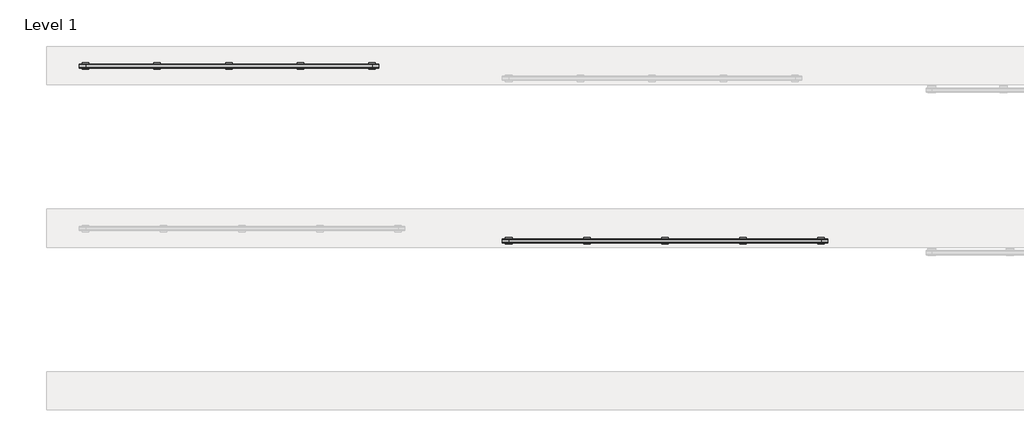
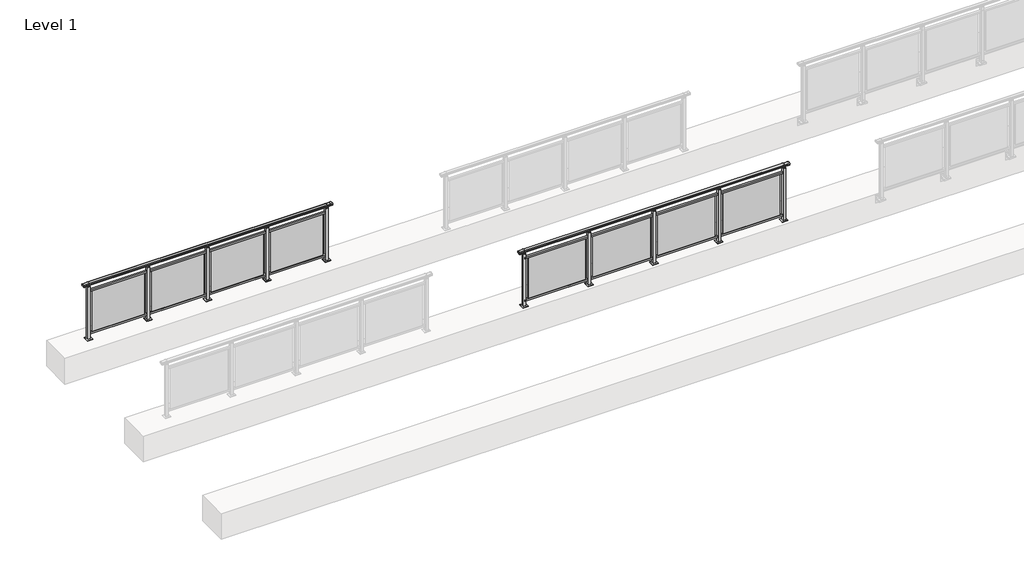
# One storey, part 38 of 64: 2 railings.
"""IFC4 building model written with IfcOpenShell, lengths in millimetres."""

from ifc_helpers import new_model, si_unit, frame, origin, origin_with_axes, place, context, project, spatial, polyline, circle_curve, outline, extrude, element, save
from ifc_brep_helpers import plane_surface, cylinder_surface, revolved_surface, advanced_brep

model = new_model("IFC4")

# Units and contexts
model_context = context("Model", 3, world=origin())
ifc_project = project(units=[si_unit("LENGTHUNIT", "METRE", prefix="MILLI")], contexts=[model_context])

# Site, building, storey
site = spatial("IfcSite", under=ifc_project)
building = spatial("IfcBuilding", under=site)
storey = spatial("IfcBuildingStorey", under=building, Name="Level 1", Elevation=0.0)

# Railings
placement = place(None, origin())
element("IfcRailing", 1, at=placement, inside=storey, context=model_context, shape_type="SolidModel", body=[
    advanced_brep(
    [(36400.0, 2525.3633756, 1095.6691182), (36400.0, 2530.1846828, 1081.1334092), (36400.0, 2529.2413744, 1069.2539035), (36400.0, 2531.1364177, 1061.4863007), (36400.0, 2529.4894799, 1060.384124), (36400.0, 2529.4894799, 1062.0), (36400.0, 2470.8798858, 1062.0), (36400.0, 2470.8798858, 1060.384124), (36400.0, 2469.232948, 1061.4863007), (36400.0, 2471.1279912, 1069.2539035), (36400.0, 2470.1846828, 1081.1334092), (36400.0, 2475.00599, 1095.6691182), (41400.0, 2525.3633756, 1095.6691182), (41400.0, 2475.00599, 1095.6691182), (41400.0, 2470.1846828, 1081.1334092), (41400.0, 2471.1279912, 1069.2539035), (41400.0, 2469.232948, 1061.4863007), (41400.0, 2470.8798858, 1060.384124), (41400.0, 2470.8798858, 1062.0), (41400.0, 2529.4894799, 1062.0), (41400.0, 2529.4894799, 1060.384124), (41400.0, 2531.1364177, 1061.4863007), (41400.0, 2529.2413744, 1069.2539035), (41400.0, 2530.1846828, 1081.1334092), (36500.0, 2525.3633756, 1095.6691182), (36500.0, 2530.1846828, 1081.1334092), (36500.0, 2529.2413744, 1069.2539035), (36500.0, 2531.1364177, 1061.4863007), (36500.0, 2529.4894799, 1060.384124), (36500.0, 2529.4894799, 1062.0), (36500.0, 2470.8798858, 1062.0), (36500.0, 2470.8798858, 1060.384124), (36500.0, 2469.232948, 1061.4863007), (36500.0, 2471.1279912, 1069.2539035), (36500.0, 2470.1846828, 1081.1334092), (36500.0, 2475.00599, 1095.6691182), (41300.0, 2525.3633756, 1095.6691182), (41300.0, 2530.1846828, 1081.1334092), (41300.0, 2529.2413744, 1069.2539035), (41300.0, 2531.1364177, 1061.4863007), (41300.0, 2529.4894799, 1060.384124), (41300.0, 2529.4894799, 1062.0), (41300.0, 2470.8798858, 1062.0), (41300.0, 2470.8798858, 1060.384124), (41300.0, 2469.232948, 1061.4863007), (41300.0, 2471.1279912, 1069.2539035), (41300.0, 2470.1846828, 1081.1334092), (41300.0, 2475.00599, 1095.6691182)],
    [
        (0, 1, circle_curve(frame((36400.0, 2522.1223845, 1086.526686), z_axis=(-1.0, 0.0, 0.0), x_axis=(0.0, -1.0, 0.0)), 9.6999015)),
        (1, 2, circle_curve(frame((36400.0, 2547.7252545, 1073.7633709), z_axis=(1.0, 0.0, 0.0), x_axis=(0.0, -1.0, 0.0)), 19.0260117)),
        (2, 3),
        (3, 4, circle_curve(frame((36400.0, 2530.2772073, 1060.9886194), z_axis=(-1.0, 0.0, 0.0), x_axis=(0.0, -1.0, 0.0)), 0.9929396)),
        (4, 5),
        (5, 6),
        (6, 7),
        (7, 8, circle_curve(frame((36400.0, 2470.0921584, 1060.9886194), z_axis=(-1.0, 0.0, 0.0), x_axis=(0.0, 1.0, 0.0)), 0.9929396)),
        (8, 9),
        (9, 10, circle_curve(frame((36400.0, 2452.6441111, 1073.7633709), z_axis=(1.0, 0.0, 0.0), x_axis=(0.0, 1.0, 0.0)), 19.0260117)),
        (10, 11, circle_curve(frame((36400.0, 2478.2469812, 1086.526686), z_axis=(-1.0, 0.0, 0.0), x_axis=(0.0, 1.0, 0.0)), 9.6999015)),
        (11, 0, circle_curve(frame((36400.0, 2500.1846828, 1024.6431628), z_axis=(-1.0, 0.0, 0.0), x_axis=(0.0, 1.0, 0.0)), 75.3568372)),
        (12, 13, circle_curve(frame((41400.0, 2500.1846828, 1024.6431628), z_axis=(1.0, 0.0, 0.0), x_axis=(0.0, 1.0, 0.0)), 75.3568372)),
        (13, 14, circle_curve(frame((41400.0, 2478.2469812, 1086.526686), z_axis=(1.0, 0.0, 0.0), x_axis=(0.0, 1.0, 0.0)), 9.6999015)),
        (14, 15, circle_curve(frame((41400.0, 2452.6441111, 1073.7633709), z_axis=(-1.0, 0.0, 0.0), x_axis=(0.0, 1.0, 0.0)), 19.0260117)),
        (15, 16),
        (16, 17, circle_curve(frame((41400.0, 2470.0921584, 1060.9886194), z_axis=(1.0, 0.0, 0.0), x_axis=(0.0, 1.0, 0.0)), 0.9929396)),
        (17, 18),
        (18, 19),
        (19, 20),
        (20, 21, circle_curve(frame((41400.0, 2530.2772073, 1060.9886194), z_axis=(1.0, 0.0, 0.0), x_axis=(0.0, -1.0, 0.0)), 0.9929396)),
        (21, 22),
        (22, 23, circle_curve(frame((41400.0, 2547.7252545, 1073.7633709), z_axis=(-1.0, 0.0, 0.0), x_axis=(0.0, -1.0, 0.0)), 19.0260117)),
        (23, 12, circle_curve(frame((41400.0, 2522.1223845, 1086.526686), z_axis=(1.0, 0.0, 0.0), x_axis=(0.0, -1.0, 0.0)), 9.6999015)),
        (0, 24),
        (24, 25, circle_curve(frame((36500.0, 2522.1223845, 1086.526686), z_axis=(-1.0, 0.0, 0.0), x_axis=(0.0, -1.0, 0.0)), 9.6999015)),
        (25, 1),
        (25, 26, circle_curve(frame((36500.0, 2547.7252545, 1073.7633709), z_axis=(1.0, 0.0, 0.0), x_axis=(0.0, -1.0, 0.0)), 19.0260117)),
        (26, 2),
        (26, 27),
        (27, 3),
        (27, 28, circle_curve(frame((36500.0, 2530.2772073, 1060.9886194), z_axis=(-1.0, 0.0, 0.0), x_axis=(0.0, -1.0, 0.0)), 0.9929396)),
        (28, 4),
        (28, 29),
        (29, 5),
        (29, 30),
        (30, 6),
        (30, 31),
        (31, 7),
        (31, 32, circle_curve(frame((36500.0, 2470.0921584, 1060.9886194), z_axis=(-1.0, 0.0, 0.0), x_axis=(0.0, 1.0, 0.0)), 0.9929396)),
        (32, 8),
        (32, 33),
        (33, 9),
        (33, 34, circle_curve(frame((36500.0, 2452.6441111, 1073.7633709), z_axis=(1.0, 0.0, 0.0), x_axis=(0.0, 1.0, 0.0)), 19.0260117)),
        (34, 10),
        (34, 35, circle_curve(frame((36500.0, 2478.2469812, 1086.526686), z_axis=(-1.0, 0.0, 0.0), x_axis=(0.0, 1.0, 0.0)), 9.6999015)),
        (35, 11),
        (35, 24, circle_curve(frame((36500.0, 2500.1846828, 1024.6431628), z_axis=(-1.0, 0.0, 0.0), x_axis=(0.0, 1.0, 0.0)), 75.3568372)),
        (24, 36),
        (36, 37, circle_curve(frame((41300.0, 2522.1223845, 1086.526686), z_axis=(-1.0, 0.0, 0.0), x_axis=(0.0, -1.0, 0.0)), 9.6999015)),
        (37, 25),
        (37, 38, circle_curve(frame((41300.0, 2547.7252545, 1073.7633709), z_axis=(1.0, 0.0, 0.0), x_axis=(0.0, -1.0, 0.0)), 19.0260117)),
        (38, 26),
        (38, 39),
        (39, 27),
        (39, 40, circle_curve(frame((41300.0, 2530.2772073, 1060.9886194), z_axis=(-1.0, 0.0, 0.0), x_axis=(0.0, -1.0, 0.0)), 0.9929396)),
        (40, 28),
        (40, 41),
        (41, 29),
        (41, 42),
        (42, 30),
        (42, 43),
        (43, 31),
        (43, 44, circle_curve(frame((41300.0, 2470.0921584, 1060.9886194), z_axis=(-1.0, 0.0, 0.0), x_axis=(0.0, 1.0, 0.0)), 0.9929396)),
        (44, 32),
        (44, 45),
        (45, 33),
        (45, 46, circle_curve(frame((41300.0, 2452.6441111, 1073.7633709), z_axis=(1.0, 0.0, 0.0), x_axis=(0.0, 1.0, 0.0)), 19.0260117)),
        (46, 34),
        (46, 47, circle_curve(frame((41300.0, 2478.2469812, 1086.526686), z_axis=(-1.0, 0.0, 0.0), x_axis=(0.0, 1.0, 0.0)), 9.6999015)),
        (47, 35),
        (47, 36, circle_curve(frame((41300.0, 2500.1846828, 1024.6431628), z_axis=(-1.0, 0.0, 0.0), x_axis=(0.0, 1.0, 0.0)), 75.3568372)),
        (36, 12),
        (23, 37),
        (22, 38),
        (21, 39),
        (20, 40),
        (19, 41),
        (18, 42),
        (17, 43),
        (16, 44),
        (15, 45),
        (14, 46),
        (13, 47),
    ],
    [
        plane_surface(frame((36400.0, 2500.1846828, 1100.0), z_axis=(-1.0, 0.0, 0.0), x_axis=(0.0, 1.0, 0.0))),
        plane_surface(frame((41400.0, 2500.1846828, 1100.0), z_axis=(1.0, 0.0, 0.0), x_axis=(0.0, 1.0, 0.0))),
        cylinder_surface(frame((36400.0, 2522.1223845, 1086.526686), z_axis=(-1.0, 0.0, 0.0), x_axis=(0.0, -1.0, 0.0)), 9.6999015),
        revolved_surface(polyline([(36500.0, 2528.6992428000003, 1073.7633709), (36400.0, 2528.6992428000003, 1073.7633709)]), (36400.0, 2547.7252545, 1073.7633709), (1.0, 0.0, 0.0)),
        plane_surface(frame((36400.0, 2529.2413744, 1069.2539035), z_axis=(0.0, 0.9715057689301543, 0.2370159086125439), x_axis=(1.0, 0.0, 0.0))),
        cylinder_surface(frame((36400.0, 2530.2772073, 1060.9886194), z_axis=(-1.0, 0.0, 0.0), x_axis=(0.0, -1.0, 0.0)), 0.9929396),
        plane_surface(frame((36400.0, 2529.4894799, 1060.384124), z_axis=(0.0, -1.0, 0.0), x_axis=(1.0, 0.0, 0.0))),
        plane_surface(frame((36400.0, 2529.4894799, 1062.0), z_axis=(0.0, 0.0, -1.0), x_axis=(1.0, 0.0, 0.0))),
        plane_surface(frame((36400.0, 2470.8798858, 1062.0), z_axis=(0.0, 1.0, 0.0), x_axis=(1.0, 0.0, 0.0))),
        cylinder_surface(frame((36400.0, 2470.0921584, 1060.9886194), z_axis=(-1.0, 0.0, 0.0), x_axis=(0.0, 1.0, 0.0)), 0.9929396),
        plane_surface(frame((36400.0, 2469.232948, 1061.4863007), z_axis=(0.0, -0.9715057689301543, 0.2370159086125439), x_axis=(1.0, 0.0, 0.0))),
        revolved_surface(polyline([(36500.0, 2471.6701227999997, 1073.7633709), (36400.0, 2471.6701227999997, 1073.7633709)]), (36400.0, 2452.6441111, 1073.7633709), (1.0, 0.0, 0.0)),
        cylinder_surface(frame((36400.0, 2478.2469812, 1086.526686), z_axis=(-1.0, 0.0, 0.0), x_axis=(0.0, 1.0, 0.0)), 9.6999015),
        cylinder_surface(frame((36400.0, 2500.1846828, 1024.6431628), z_axis=(-1.0, 0.0, 0.0), x_axis=(0.0, 1.0, 0.0)), 75.3568372),
        cylinder_surface(frame((36500.0, 2522.1223845, 1086.526686), z_axis=(-1.0, 0.0, 0.0), x_axis=(0.0, -1.0, 0.0)), 9.6999015),
        revolved_surface(polyline([(41300.0, 2528.6992428000003, 1073.7633709), (36500.0, 2528.6992428000003, 1073.7633709)]), (36500.0, 2547.7252545, 1073.7633709), (1.0, 0.0, 0.0)),
        plane_surface(frame((36500.0, 2529.2413744, 1069.2539035), z_axis=(0.0, 0.9715057689301543, 0.2370159086125439), x_axis=(1.0, 0.0, 0.0))),
        cylinder_surface(frame((36500.0, 2530.2772073, 1060.9886194), z_axis=(-1.0, 0.0, 0.0), x_axis=(0.0, -1.0, 0.0)), 0.9929396),
        plane_surface(frame((36500.0, 2529.4894799, 1060.384124), z_axis=(0.0, -1.0, 0.0), x_axis=(1.0, 0.0, 0.0))),
        plane_surface(frame((36500.0, 2529.4894799, 1062.0), z_axis=(0.0, 0.0, -1.0), x_axis=(1.0, 0.0, 0.0))),
        plane_surface(frame((36500.0, 2470.8798858, 1062.0), z_axis=(0.0, 1.0, 0.0), x_axis=(1.0, 0.0, 0.0))),
        cylinder_surface(frame((36500.0, 2470.0921584, 1060.9886194), z_axis=(-1.0, 0.0, 0.0), x_axis=(0.0, 1.0, 0.0)), 0.9929396),
        plane_surface(frame((36500.0, 2469.232948, 1061.4863007), z_axis=(0.0, -0.9715057689301543, 0.2370159086125439), x_axis=(1.0, 0.0, 0.0))),
        revolved_surface(polyline([(41300.0, 2471.6701227999997, 1073.7633709), (36500.0, 2471.6701227999997, 1073.7633709)]), (36500.0, 2452.6441111, 1073.7633709), (1.0, 0.0, 0.0)),
        cylinder_surface(frame((36500.0, 2478.2469812, 1086.526686), z_axis=(-1.0, 0.0, 0.0), x_axis=(0.0, 1.0, 0.0)), 9.6999015),
        cylinder_surface(frame((36500.0, 2500.1846828, 1024.6431628), z_axis=(-1.0, 0.0, 0.0), x_axis=(0.0, 1.0, 0.0)), 75.3568372),
        cylinder_surface(frame((41300.0, 2522.1223845, 1086.526686), z_axis=(-1.0, 0.0, 0.0), x_axis=(0.0, -1.0, 0.0)), 9.6999015),
        revolved_surface(polyline([(41400.0, 2528.6992428000003, 1073.7633709), (41300.0, 2528.6992428000003, 1073.7633709)]), (41300.0, 2547.7252545, 1073.7633709), (1.0, 0.0, 0.0)),
        plane_surface(frame((41300.0, 2529.2413744, 1069.2539035), z_axis=(0.0, 0.9715057689301543, 0.2370159086125439), x_axis=(1.0, 0.0, 0.0))),
        cylinder_surface(frame((41300.0, 2530.2772073, 1060.9886194), z_axis=(-1.0, 0.0, 0.0), x_axis=(0.0, -1.0, 0.0)), 0.9929396),
        plane_surface(frame((41300.0, 2529.4894799, 1060.384124), z_axis=(0.0, -1.0, 0.0), x_axis=(1.0, 0.0, 0.0))),
        plane_surface(frame((41300.0, 2529.4894799, 1062.0), z_axis=(0.0, 0.0, -1.0), x_axis=(1.0, 0.0, 0.0))),
        plane_surface(frame((41300.0, 2470.8798858, 1062.0), z_axis=(0.0, 1.0, 0.0), x_axis=(1.0, 0.0, 0.0))),
        cylinder_surface(frame((41300.0, 2470.0921584, 1060.9886194), z_axis=(-1.0, 0.0, 0.0), x_axis=(0.0, 1.0, 0.0)), 0.9929396),
        plane_surface(frame((41300.0, 2469.232948, 1061.4863007), z_axis=(0.0, -0.9715057689301543, 0.2370159086125439), x_axis=(1.0, 0.0, 0.0))),
        revolved_surface(polyline([(41400.0, 2471.6701227999997, 1073.7633709), (41300.0, 2471.6701227999997, 1073.7633709)]), (41300.0, 2452.6441111, 1073.7633709), (1.0, 0.0, 0.0)),
        cylinder_surface(frame((41300.0, 2478.2469812, 1086.526686), z_axis=(-1.0, 0.0, 0.0), x_axis=(0.0, 1.0, 0.0)), 9.6999015),
        cylinder_surface(frame((41300.0, 2500.1846828, 1024.6431628), z_axis=(-1.0, 0.0, 0.0), x_axis=(0.0, 1.0, 0.0)), 75.3568372),
    ],
    [
        (0, [[1, 2, 3, 4, 5, 6, 7, 8, 9, 10, 11, 12]]),
        (1, [[13, 14, 15, 16, 17, 18, 19, 20, 21, 22, 23, 24]]),
        (2, [[-1, 25, 26, 27]]),
        (3, [[-2, -27, 28, 29]]),
        (4, [[-3, -29, 30, 31]]),
        (5, [[-4, -31, 32, 33]]),
        (6, [[-5, -33, 34, 35]]),
        (7, [[-6, -35, 36, 37]]),
        (8, [[-7, -37, 38, 39]]),
        (9, [[-8, -39, 40, 41]]),
        (10, [[-9, -41, 42, 43]]),
        (11, [[-10, -43, 44, 45]]),
        (12, [[-11, -45, 46, 47]]),
        (13, [[-12, -47, 48, -25]]),
        (14, [[-26, 49, 50, 51]]),
        (15, [[-28, -51, 52, 53]]),
        (16, [[-30, -53, 54, 55]]),
        (17, [[-32, -55, 56, 57]]),
        (18, [[-34, -57, 58, 59]]),
        (19, [[-36, -59, 60, 61]]),
        (20, [[-38, -61, 62, 63]]),
        (21, [[-40, -63, 64, 65]]),
        (22, [[-42, -65, 66, 67]]),
        (23, [[-44, -67, 68, 69]]),
        (24, [[-46, -69, 70, 71]]),
        (25, [[-48, -71, 72, -49]]),
        (26, [[-50, 73, -24, 74]]),
        (27, [[-52, -74, -23, 75]]),
        (28, [[-54, -75, -22, 76]]),
        (29, [[-56, -76, -21, 77]]),
        (30, [[-58, -77, -20, 78]]),
        (31, [[-60, -78, -19, 79]]),
        (32, [[-62, -79, -18, 80]]),
        (33, [[-64, -80, -17, 81]]),
        (34, [[-66, -81, -16, 82]]),
        (35, [[-68, -82, -15, 83]]),
        (36, [[-70, -83, -14, 84]]),
        (37, [[-72, -84, -13, -73]]),
    ],
),
    extrude(outline(polyline([(36500.0, 2482.6846828), (36500.0, 2517.6846828), (41300.0, 2517.6846828), (41300.0, 2482.6846828), (36500.0, 2482.6846828)])), frame((0.0, 0.0, 930.0), z_axis=(0.0, 0.0, 1.0), x_axis=(1.0, 0.0, 0.0)), (0.0, 0.0, 1.0), 30.0),
    extrude(outline(polyline([(36500.0, 2482.6846828), (36500.0, 2517.6846828), (41300.0, 2517.6846828), (41300.0, 2482.6846828), (36500.0, 2482.6846828)])), frame((0.0, 0.0, 95.0), z_axis=(0.0, 0.0, 1.0), x_axis=(1.0, 0.0, 0.0)), (0.0, 0.0, 1.0), 30.0),
    extrude(outline(polyline([(40172.5, 2501.9598727), (41227.5, 2501.9598727), (41227.5, 2495.9598727), (40172.5, 2495.9598727), (40172.5, 2501.9598727)])), frame((0.0, 0.0, 125.0), z_axis=(0.0, 0.0, 1.0), x_axis=(1.0, 0.0, 0.0)), (0.0, 0.0, 1.0), 800.0),
    extrude(outline(polyline([(40110.0, 2490.1846828), (40090.0, 2490.1846828), (40090.0, 2510.1846828), (40110.0, 2510.1846828), (40110.0, 2490.1846828)])), frame((0.0, 0.0, 1035.0), z_axis=(0.0, 0.0, 1.0), x_axis=(1.0, 0.0, 0.0)), (0.0, 0.0, 1.0), 20.0),
    extrude(outline(polyline([(40122.5, 2477.6846828), (40077.5, 2477.6846828), (40077.5, 2522.6846828), (40122.5, 2522.6846828), (40122.5, 2477.6846828)])), frame((0.0, 0.0, 1027.0), z_axis=(0.0, 0.0, 1.0), x_axis=(1.0, 0.0, 0.0)), (0.0, 0.0, 1.0), 8.0),
    extrude(outline(polyline([(40150.0, 2450.1846828), (40050.0, 2450.1846828), (40050.0, 2550.1846828), (40150.0, 2550.1846828), (40150.0, 2450.1846828)])), origin_with_axes(), (0.0, 0.0, 1.0), 12.0),
    extrude(outline(polyline([(40122.5, 2477.6846828), (40077.5, 2477.6846828), (40077.5, 2522.6846828), (40122.5, 2522.6846828), (40122.5, 2477.6846828)])), frame((0.0, 0.0, 12.0), z_axis=(0.0, 0.0, 1.0), x_axis=(1.0, 0.0, 0.0)), (0.0, 0.0, 1.0), 1015.0),
    extrude(outline(polyline([(38972.5, 2501.9598727), (40027.5, 2501.9598727), (40027.5, 2495.9598727), (38972.5, 2495.9598727), (38972.5, 2501.9598727)])), frame((0.0, 0.0, 125.0), z_axis=(0.0, 0.0, 1.0), x_axis=(1.0, 0.0, 0.0)), (0.0, 0.0, 1.0), 800.0),
    extrude(outline(polyline([(38910.0, 2490.1846828), (38890.0, 2490.1846828), (38890.0, 2510.1846828), (38910.0, 2510.1846828), (38910.0, 2490.1846828)])), frame((0.0, 0.0, 1035.0), z_axis=(0.0, 0.0, 1.0), x_axis=(1.0, 0.0, 0.0)), (0.0, 0.0, 1.0), 20.0),
    extrude(outline(polyline([(38922.5, 2477.6846828), (38877.5, 2477.6846828), (38877.5, 2522.6846828), (38922.5, 2522.6846828), (38922.5, 2477.6846828)])), frame((0.0, 0.0, 1027.0), z_axis=(0.0, 0.0, 1.0), x_axis=(1.0, 0.0, 0.0)), (0.0, 0.0, 1.0), 8.0),
    extrude(outline(polyline([(38950.0, 2450.1846828), (38850.0, 2450.1846828), (38850.0, 2550.1846828), (38950.0, 2550.1846828), (38950.0, 2450.1846828)])), origin_with_axes(), (0.0, 0.0, 1.0), 12.0),
    extrude(outline(polyline([(38922.5, 2477.6846828), (38877.5, 2477.6846828), (38877.5, 2522.6846828), (38922.5, 2522.6846828), (38922.5, 2477.6846828)])), frame((0.0, 0.0, 12.0), z_axis=(0.0, 0.0, 1.0), x_axis=(1.0, 0.0, 0.0)), (0.0, 0.0, 1.0), 1015.0),
    extrude(outline(polyline([(37772.5, 2501.9598727), (38827.5, 2501.9598727), (38827.5, 2495.9598727), (37772.5, 2495.9598727), (37772.5, 2501.9598727)])), frame((0.0, 0.0, 125.0), z_axis=(0.0, 0.0, 1.0), x_axis=(1.0, 0.0, 0.0)), (0.0, 0.0, 1.0), 800.0),
    extrude(outline(polyline([(37710.0, 2490.1846828), (37690.0, 2490.1846828), (37690.0, 2510.1846828), (37710.0, 2510.1846828), (37710.0, 2490.1846828)])), frame((0.0, 0.0, 1035.0), z_axis=(0.0, 0.0, 1.0), x_axis=(1.0, 0.0, 0.0)), (0.0, 0.0, 1.0), 20.0),
    extrude(outline(polyline([(37722.5, 2477.6846828), (37677.5, 2477.6846828), (37677.5, 2522.6846828), (37722.5, 2522.6846828), (37722.5, 2477.6846828)])), frame((0.0, 0.0, 1027.0), z_axis=(0.0, 0.0, 1.0), x_axis=(1.0, 0.0, 0.0)), (0.0, 0.0, 1.0), 8.0),
    extrude(outline(polyline([(37750.0, 2450.1846828), (37650.0, 2450.1846828), (37650.0, 2550.1846828), (37750.0, 2550.1846828), (37750.0, 2450.1846828)])), origin_with_axes(), (0.0, 0.0, 1.0), 12.0),
    extrude(outline(polyline([(37722.5, 2477.6846828), (37677.5, 2477.6846828), (37677.5, 2522.6846828), (37722.5, 2522.6846828), (37722.5, 2477.6846828)])), frame((0.0, 0.0, 12.0), z_axis=(0.0, 0.0, 1.0), x_axis=(1.0, 0.0, 0.0)), (0.0, 0.0, 1.0), 1015.0),
    extrude(outline(polyline([(36572.5, 2501.9598727), (37627.5, 2501.9598727), (37627.5, 2495.9598727), (36572.5, 2495.9598727), (36572.5, 2501.9598727)])), frame((0.0, 0.0, 125.0), z_axis=(0.0, 0.0, 1.0), x_axis=(1.0, 0.0, 0.0)), (0.0, 0.0, 1.0), 800.0),
    extrude(outline(polyline([(41310.0, 2490.1846828), (41290.0, 2490.1846828), (41290.0, 2510.1846828), (41310.0, 2510.1846828), (41310.0, 2490.1846828)])), frame((0.0, 0.0, 1035.0), z_axis=(0.0, 0.0, 1.0), x_axis=(1.0, 0.0, 0.0)), (0.0, 0.0, 1.0), 20.0),
    extrude(outline(polyline([(41322.5, 2477.6846828), (41277.5, 2477.6846828), (41277.5, 2522.6846828), (41322.5, 2522.6846828), (41322.5, 2477.6846828)])), frame((0.0, 0.0, 1027.0), z_axis=(0.0, 0.0, 1.0), x_axis=(1.0, 0.0, 0.0)), (0.0, 0.0, 1.0), 8.0),
    extrude(outline(polyline([(41350.0, 2450.1846828), (41250.0, 2450.1846828), (41250.0, 2550.1846828), (41350.0, 2550.1846828), (41350.0, 2450.1846828)])), origin_with_axes(), (0.0, 0.0, 1.0), 12.0),
    extrude(outline(polyline([(41322.5, 2477.6846828), (41277.5, 2477.6846828), (41277.5, 2522.6846828), (41322.5, 2522.6846828), (41322.5, 2477.6846828)])), frame((0.0, 0.0, 12.0), z_axis=(0.0, 0.0, 1.0), x_axis=(1.0, 0.0, 0.0)), (0.0, 0.0, 1.0), 1015.0),
    extrude(outline(polyline([(36510.0, 2490.1846828), (36490.0, 2490.1846828), (36490.0, 2510.1846828), (36510.0, 2510.1846828), (36510.0, 2490.1846828)])), frame((0.0, 0.0, 1035.0), z_axis=(0.0, 0.0, 1.0), x_axis=(1.0, 0.0, 0.0)), (0.0, 0.0, 1.0), 20.0),
    extrude(outline(polyline([(36522.5, 2477.6846828), (36477.5, 2477.6846828), (36477.5, 2522.6846828), (36522.5, 2522.6846828), (36522.5, 2477.6846828)])), frame((0.0, 0.0, 1027.0), z_axis=(0.0, 0.0, 1.0), x_axis=(1.0, 0.0, 0.0)), (0.0, 0.0, 1.0), 8.0),
    extrude(outline(polyline([(36550.0, 2450.1846828), (36450.0, 2450.1846828), (36450.0, 2550.1846828), (36550.0, 2550.1846828), (36550.0, 2450.1846828)])), origin_with_axes(), (0.0, 0.0, 1.0), 12.0),
    extrude(outline(polyline([(36522.5, 2477.6846828), (36477.5, 2477.6846828), (36477.5, 2522.6846828), (36522.5, 2522.6846828), (36522.5, 2477.6846828)])), frame((0.0, 0.0, 12.0), z_axis=(0.0, 0.0, 1.0), x_axis=(1.0, 0.0, 0.0)), (0.0, 0.0, 1.0), 1015.0),
])
element("IfcRailing", 2, at=placement, inside=storey, context=model_context, shape_type="SolidModel", body=[
    advanced_brep(
    [(29900.0, 5215.3633756, 1095.6691182), (29900.0, 5220.1846828, 1081.1334092), (29900.0, 5219.2413744, 1069.2539035), (29900.0, 5221.1364177, 1061.4863007), (29900.0, 5219.4894799, 1060.384124), (29900.0, 5219.4894799, 1062.0), (29900.0, 5160.8798858, 1062.0), (29900.0, 5160.8798858, 1060.384124), (29900.0, 5159.232948, 1061.4863007), (29900.0, 5161.1279912, 1069.2539035), (29900.0, 5160.1846828, 1081.1334092), (29900.0, 5165.00599, 1095.6691182), (34500.0, 5215.3633756, 1095.6691182), (34500.0, 5165.00599, 1095.6691182), (34500.0, 5160.1846828, 1081.1334092), (34500.0, 5161.1279912, 1069.2539035), (34500.0, 5159.232948, 1061.4863007), (34500.0, 5160.8798858, 1060.384124), (34500.0, 5160.8798858, 1062.0), (34500.0, 5219.4894799, 1062.0), (34500.0, 5219.4894799, 1060.384124), (34500.0, 5221.1364177, 1061.4863007), (34500.0, 5219.2413744, 1069.2539035), (34500.0, 5220.1846828, 1081.1334092), (30000.0, 5215.3633756, 1095.6691182), (30000.0, 5220.1846828, 1081.1334092), (30000.0, 5219.2413744, 1069.2539035), (30000.0, 5221.1364177, 1061.4863007), (30000.0, 5219.4894799, 1060.384124), (30000.0, 5219.4894799, 1062.0), (30000.0, 5160.8798858, 1062.0), (30000.0, 5160.8798858, 1060.384124), (30000.0, 5159.232948, 1061.4863007), (30000.0, 5161.1279912, 1069.2539035), (30000.0, 5160.1846828, 1081.1334092), (30000.0, 5165.00599, 1095.6691182), (34400.0, 5215.3633756, 1095.6691182), (34400.0, 5220.1846828, 1081.1334092), (34400.0, 5219.2413744, 1069.2539035), (34400.0, 5221.1364177, 1061.4863007), (34400.0, 5219.4894799, 1060.384124), (34400.0, 5219.4894799, 1062.0), (34400.0, 5160.8798858, 1062.0), (34400.0, 5160.8798858, 1060.384124), (34400.0, 5159.232948, 1061.4863007), (34400.0, 5161.1279912, 1069.2539035), (34400.0, 5160.1846828, 1081.1334092), (34400.0, 5165.00599, 1095.6691182)],
    [
        (0, 1, circle_curve(frame((29900.0, 5212.1223845, 1086.526686), z_axis=(-1.0, 0.0, 0.0), x_axis=(0.0, -1.0, 0.0)), 9.6999015)),
        (1, 2, circle_curve(frame((29900.0, 5237.7252545, 1073.7633709), z_axis=(1.0, 0.0, 0.0), x_axis=(0.0, -1.0, 0.0)), 19.0260117)),
        (2, 3),
        (3, 4, circle_curve(frame((29900.0, 5220.2772073, 1060.9886194), z_axis=(-1.0, 0.0, 0.0), x_axis=(0.0, -1.0, 0.0)), 0.9929396)),
        (4, 5),
        (5, 6),
        (6, 7),
        (7, 8, circle_curve(frame((29900.0, 5160.0921584, 1060.9886194), z_axis=(-1.0, 0.0, 0.0), x_axis=(0.0, 1.0, 0.0)), 0.9929396)),
        (8, 9),
        (9, 10, circle_curve(frame((29900.0, 5142.6441111, 1073.7633709), z_axis=(1.0, 0.0, 0.0), x_axis=(0.0, 1.0, 0.0)), 19.0260117)),
        (10, 11, circle_curve(frame((29900.0, 5168.2469812, 1086.526686), z_axis=(-1.0, 0.0, 0.0), x_axis=(0.0, 1.0, 0.0)), 9.6999015)),
        (11, 0, circle_curve(frame((29900.0, 5190.1846828, 1024.6431628), z_axis=(-1.0, 0.0, 0.0), x_axis=(0.0, 1.0, 0.0)), 75.3568372)),
        (12, 13, circle_curve(frame((34500.0, 5190.1846828, 1024.6431628), z_axis=(1.0, 0.0, 0.0), x_axis=(0.0, 1.0, 0.0)), 75.3568372)),
        (13, 14, circle_curve(frame((34500.0, 5168.2469812, 1086.526686), z_axis=(1.0, 0.0, 0.0), x_axis=(0.0, 1.0, 0.0)), 9.6999015)),
        (14, 15, circle_curve(frame((34500.0, 5142.6441111, 1073.7633709), z_axis=(-1.0, 0.0, 0.0), x_axis=(0.0, 1.0, 0.0)), 19.0260117)),
        (15, 16),
        (16, 17, circle_curve(frame((34500.0, 5160.0921584, 1060.9886194), z_axis=(1.0, 0.0, 0.0), x_axis=(0.0, 1.0, 0.0)), 0.9929396)),
        (17, 18),
        (18, 19),
        (19, 20),
        (20, 21, circle_curve(frame((34500.0, 5220.2772073, 1060.9886194), z_axis=(1.0, 0.0, 0.0), x_axis=(0.0, -1.0, 0.0)), 0.9929396)),
        (21, 22),
        (22, 23, circle_curve(frame((34500.0, 5237.7252545, 1073.7633709), z_axis=(-1.0, 0.0, 0.0), x_axis=(0.0, -1.0, 0.0)), 19.0260117)),
        (23, 12, circle_curve(frame((34500.0, 5212.1223845, 1086.526686), z_axis=(1.0, 0.0, 0.0), x_axis=(0.0, -1.0, 0.0)), 9.6999015)),
        (0, 24),
        (24, 25, circle_curve(frame((30000.0, 5212.1223845, 1086.526686), z_axis=(-1.0, 0.0, 0.0), x_axis=(0.0, -1.0, 0.0)), 9.6999015)),
        (25, 1),
        (25, 26, circle_curve(frame((30000.0, 5237.7252545, 1073.7633709), z_axis=(1.0, 0.0, 0.0), x_axis=(0.0, -1.0, 0.0)), 19.0260117)),
        (26, 2),
        (26, 27),
        (27, 3),
        (27, 28, circle_curve(frame((30000.0, 5220.2772073, 1060.9886194), z_axis=(-1.0, 0.0, 0.0), x_axis=(0.0, -1.0, 0.0)), 0.9929396)),
        (28, 4),
        (28, 29),
        (29, 5),
        (29, 30),
        (30, 6),
        (30, 31),
        (31, 7),
        (31, 32, circle_curve(frame((30000.0, 5160.0921584, 1060.9886194), z_axis=(-1.0, 0.0, 0.0), x_axis=(0.0, 1.0, 0.0)), 0.9929396)),
        (32, 8),
        (32, 33),
        (33, 9),
        (33, 34, circle_curve(frame((30000.0, 5142.6441111, 1073.7633709), z_axis=(1.0, 0.0, 0.0), x_axis=(0.0, 1.0, 0.0)), 19.0260117)),
        (34, 10),
        (34, 35, circle_curve(frame((30000.0, 5168.2469812, 1086.526686), z_axis=(-1.0, 0.0, 0.0), x_axis=(0.0, 1.0, 0.0)), 9.6999015)),
        (35, 11),
        (35, 24, circle_curve(frame((30000.0, 5190.1846828, 1024.6431628), z_axis=(-1.0, 0.0, 0.0), x_axis=(0.0, 1.0, 0.0)), 75.3568372)),
        (24, 36),
        (36, 37, circle_curve(frame((34400.0, 5212.1223845, 1086.526686), z_axis=(-1.0, 0.0, 0.0), x_axis=(0.0, -1.0, 0.0)), 9.6999015)),
        (37, 25),
        (37, 38, circle_curve(frame((34400.0, 5237.7252545, 1073.7633709), z_axis=(1.0, 0.0, 0.0), x_axis=(0.0, -1.0, 0.0)), 19.0260117)),
        (38, 26),
        (38, 39),
        (39, 27),
        (39, 40, circle_curve(frame((34400.0, 5220.2772073, 1060.9886194), z_axis=(-1.0, 0.0, 0.0), x_axis=(0.0, -1.0, 0.0)), 0.9929396)),
        (40, 28),
        (40, 41),
        (41, 29),
        (41, 42),
        (42, 30),
        (42, 43),
        (43, 31),
        (43, 44, circle_curve(frame((34400.0, 5160.0921584, 1060.9886194), z_axis=(-1.0, 0.0, 0.0), x_axis=(0.0, 1.0, 0.0)), 0.9929396)),
        (44, 32),
        (44, 45),
        (45, 33),
        (45, 46, circle_curve(frame((34400.0, 5142.6441111, 1073.7633709), z_axis=(1.0, 0.0, 0.0), x_axis=(0.0, 1.0, 0.0)), 19.0260117)),
        (46, 34),
        (46, 47, circle_curve(frame((34400.0, 5168.2469812, 1086.526686), z_axis=(-1.0, 0.0, 0.0), x_axis=(0.0, 1.0, 0.0)), 9.6999015)),
        (47, 35),
        (47, 36, circle_curve(frame((34400.0, 5190.1846828, 1024.6431628), z_axis=(-1.0, 0.0, 0.0), x_axis=(0.0, 1.0, 0.0)), 75.3568372)),
        (36, 12),
        (23, 37),
        (22, 38),
        (21, 39),
        (20, 40),
        (19, 41),
        (18, 42),
        (17, 43),
        (16, 44),
        (15, 45),
        (14, 46),
        (13, 47),
    ],
    [
        plane_surface(frame((29900.0, 5190.1846828, 1100.0), z_axis=(-1.0, 0.0, 0.0), x_axis=(0.0, 1.0, 0.0))),
        plane_surface(frame((34500.0, 5190.1846828, 1100.0), z_axis=(1.0, 0.0, 0.0), x_axis=(0.0, 1.0, 0.0))),
        cylinder_surface(frame((29900.0, 5212.1223845, 1086.526686), z_axis=(-1.0, 0.0, 0.0), x_axis=(0.0, -1.0, 0.0)), 9.6999015),
        revolved_surface(polyline([(30000.0, 5218.6992428, 1073.7633709), (29900.0, 5218.6992428, 1073.7633709)]), (29900.0, 5237.7252545, 1073.7633709), (1.0, 0.0, 0.0)),
        plane_surface(frame((29900.0, 5219.2413744, 1069.2539035), z_axis=(0.0, 0.9715057689301543, 0.2370159086125439), x_axis=(1.0, 0.0, 0.0))),
        cylinder_surface(frame((29900.0, 5220.2772073, 1060.9886194), z_axis=(-1.0, 0.0, 0.0), x_axis=(0.0, -1.0, 0.0)), 0.9929396),
        plane_surface(frame((29900.0, 5219.4894799, 1060.384124), z_axis=(0.0, -1.0, 0.0), x_axis=(1.0, 0.0, 0.0))),
        plane_surface(frame((29900.0, 5219.4894799, 1062.0), z_axis=(0.0, 0.0, -1.0), x_axis=(1.0, 0.0, 0.0))),
        plane_surface(frame((29900.0, 5160.8798858, 1062.0), z_axis=(0.0, 1.0, 0.0), x_axis=(1.0, 0.0, 0.0))),
        cylinder_surface(frame((29900.0, 5160.0921584, 1060.9886194), z_axis=(-1.0, 0.0, 0.0), x_axis=(0.0, 1.0, 0.0)), 0.9929396),
        plane_surface(frame((29900.0, 5159.232948, 1061.4863007), z_axis=(0.0, -0.9715057689301543, 0.2370159086125439), x_axis=(1.0, 0.0, 0.0))),
        revolved_surface(polyline([(30000.0, 5161.6701228, 1073.7633709), (29900.0, 5161.6701228, 1073.7633709)]), (29900.0, 5142.6441111, 1073.7633709), (1.0, 0.0, 0.0)),
        cylinder_surface(frame((29900.0, 5168.2469812, 1086.526686), z_axis=(-1.0, 0.0, 0.0), x_axis=(0.0, 1.0, 0.0)), 9.6999015),
        cylinder_surface(frame((29900.0, 5190.1846828, 1024.6431628), z_axis=(-1.0, 0.0, 0.0), x_axis=(0.0, 1.0, 0.0)), 75.3568372),
        cylinder_surface(frame((30000.0, 5212.1223845, 1086.526686), z_axis=(-1.0, 0.0, 0.0), x_axis=(0.0, -1.0, 0.0)), 9.6999015),
        revolved_surface(polyline([(34400.0, 5218.6992428, 1073.7633709), (30000.0, 5218.6992428, 1073.7633709)]), (30000.0, 5237.7252545, 1073.7633709), (1.0, 0.0, 0.0)),
        plane_surface(frame((30000.0, 5219.2413744, 1069.2539035), z_axis=(0.0, 0.9715057689301543, 0.2370159086125439), x_axis=(1.0, 0.0, 0.0))),
        cylinder_surface(frame((30000.0, 5220.2772073, 1060.9886194), z_axis=(-1.0, 0.0, 0.0), x_axis=(0.0, -1.0, 0.0)), 0.9929396),
        plane_surface(frame((30000.0, 5219.4894799, 1060.384124), z_axis=(0.0, -1.0, 0.0), x_axis=(1.0, 0.0, 0.0))),
        plane_surface(frame((30000.0, 5219.4894799, 1062.0), z_axis=(0.0, 0.0, -1.0), x_axis=(1.0, 0.0, 0.0))),
        plane_surface(frame((30000.0, 5160.8798858, 1062.0), z_axis=(0.0, 1.0, 0.0), x_axis=(1.0, 0.0, 0.0))),
        cylinder_surface(frame((30000.0, 5160.0921584, 1060.9886194), z_axis=(-1.0, 0.0, 0.0), x_axis=(0.0, 1.0, 0.0)), 0.9929396),
        plane_surface(frame((30000.0, 5159.232948, 1061.4863007), z_axis=(0.0, -0.9715057689301543, 0.2370159086125439), x_axis=(1.0, 0.0, 0.0))),
        revolved_surface(polyline([(34400.0, 5161.6701228, 1073.7633709), (30000.0, 5161.6701228, 1073.7633709)]), (30000.0, 5142.6441111, 1073.7633709), (1.0, 0.0, 0.0)),
        cylinder_surface(frame((30000.0, 5168.2469812, 1086.526686), z_axis=(-1.0, 0.0, 0.0), x_axis=(0.0, 1.0, 0.0)), 9.6999015),
        cylinder_surface(frame((30000.0, 5190.1846828, 1024.6431628), z_axis=(-1.0, 0.0, 0.0), x_axis=(0.0, 1.0, 0.0)), 75.3568372),
        cylinder_surface(frame((34400.0, 5212.1223845, 1086.526686), z_axis=(-1.0, 0.0, 0.0), x_axis=(0.0, -1.0, 0.0)), 9.6999015),
        revolved_surface(polyline([(34500.0, 5218.6992428, 1073.7633709), (34400.0, 5218.6992428, 1073.7633709)]), (34400.0, 5237.7252545, 1073.7633709), (1.0, 0.0, 0.0)),
        plane_surface(frame((34400.0, 5219.2413744, 1069.2539035), z_axis=(0.0, 0.9715057689301543, 0.2370159086125439), x_axis=(1.0, 0.0, 0.0))),
        cylinder_surface(frame((34400.0, 5220.2772073, 1060.9886194), z_axis=(-1.0, 0.0, 0.0), x_axis=(0.0, -1.0, 0.0)), 0.9929396),
        plane_surface(frame((34400.0, 5219.4894799, 1060.384124), z_axis=(0.0, -1.0, 0.0), x_axis=(1.0, 0.0, 0.0))),
        plane_surface(frame((34400.0, 5219.4894799, 1062.0), z_axis=(0.0, 0.0, -1.0), x_axis=(1.0, 0.0, 0.0))),
        plane_surface(frame((34400.0, 5160.8798858, 1062.0), z_axis=(0.0, 1.0, 0.0), x_axis=(1.0, 0.0, 0.0))),
        cylinder_surface(frame((34400.0, 5160.0921584, 1060.9886194), z_axis=(-1.0, 0.0, 0.0), x_axis=(0.0, 1.0, 0.0)), 0.9929396),
        plane_surface(frame((34400.0, 5159.232948, 1061.4863007), z_axis=(0.0, -0.9715057689301543, 0.2370159086125439), x_axis=(1.0, 0.0, 0.0))),
        revolved_surface(polyline([(34500.0, 5161.6701228, 1073.7633709), (34400.0, 5161.6701228, 1073.7633709)]), (34400.0, 5142.6441111, 1073.7633709), (1.0, 0.0, 0.0)),
        cylinder_surface(frame((34400.0, 5168.2469812, 1086.526686), z_axis=(-1.0, 0.0, 0.0), x_axis=(0.0, 1.0, 0.0)), 9.6999015),
        cylinder_surface(frame((34400.0, 5190.1846828, 1024.6431628), z_axis=(-1.0, 0.0, 0.0), x_axis=(0.0, 1.0, 0.0)), 75.3568372),
    ],
    [
        (0, [[1, 2, 3, 4, 5, 6, 7, 8, 9, 10, 11, 12]]),
        (1, [[13, 14, 15, 16, 17, 18, 19, 20, 21, 22, 23, 24]]),
        (2, [[-1, 25, 26, 27]]),
        (3, [[-2, -27, 28, 29]]),
        (4, [[-3, -29, 30, 31]]),
        (5, [[-4, -31, 32, 33]]),
        (6, [[-5, -33, 34, 35]]),
        (7, [[-6, -35, 36, 37]]),
        (8, [[-7, -37, 38, 39]]),
        (9, [[-8, -39, 40, 41]]),
        (10, [[-9, -41, 42, 43]]),
        (11, [[-10, -43, 44, 45]]),
        (12, [[-11, -45, 46, 47]]),
        (13, [[-12, -47, 48, -25]]),
        (14, [[-26, 49, 50, 51]]),
        (15, [[-28, -51, 52, 53]]),
        (16, [[-30, -53, 54, 55]]),
        (17, [[-32, -55, 56, 57]]),
        (18, [[-34, -57, 58, 59]]),
        (19, [[-36, -59, 60, 61]]),
        (20, [[-38, -61, 62, 63]]),
        (21, [[-40, -63, 64, 65]]),
        (22, [[-42, -65, 66, 67]]),
        (23, [[-44, -67, 68, 69]]),
        (24, [[-46, -69, 70, 71]]),
        (25, [[-48, -71, 72, -49]]),
        (26, [[-50, 73, -24, 74]]),
        (27, [[-52, -74, -23, 75]]),
        (28, [[-54, -75, -22, 76]]),
        (29, [[-56, -76, -21, 77]]),
        (30, [[-58, -77, -20, 78]]),
        (31, [[-60, -78, -19, 79]]),
        (32, [[-62, -79, -18, 80]]),
        (33, [[-64, -80, -17, 81]]),
        (34, [[-66, -81, -16, 82]]),
        (35, [[-68, -82, -15, 83]]),
        (36, [[-70, -83, -14, 84]]),
        (37, [[-72, -84, -13, -73]]),
    ],
),
    extrude(outline(polyline([(30000.0, 5172.6846828), (30000.0, 5207.6846828), (34400.0, 5207.6846828), (34400.0, 5172.6846828), (30000.0, 5172.6846828)])), frame((0.0, 0.0, 930.0), z_axis=(0.0, 0.0, 1.0), x_axis=(1.0, 0.0, 0.0)), (0.0, 0.0, 1.0), 30.0),
    extrude(outline(polyline([(30000.0, 5172.6846828), (30000.0, 5207.6846828), (34400.0, 5207.6846828), (34400.0, 5172.6846828), (30000.0, 5172.6846828)])), frame((0.0, 0.0, 95.0), z_axis=(0.0, 0.0, 1.0), x_axis=(1.0, 0.0, 0.0)), (0.0, 0.0, 1.0), 30.0),
    extrude(outline(polyline([(33372.5, 5191.9598727), (34327.5, 5191.9598727), (34327.5, 5185.9598727), (33372.5, 5185.9598727), (33372.5, 5191.9598727)])), frame((0.0, 0.0, 125.0), z_axis=(0.0, 0.0, 1.0), x_axis=(1.0, 0.0, 0.0)), (0.0, 0.0, 1.0), 805.0),
    extrude(outline(polyline([(33310.0, 5180.1846828), (33290.0, 5180.1846828), (33290.0, 5200.1846828), (33310.0, 5200.1846828), (33310.0, 5180.1846828)])), frame((0.0, 0.0, 1035.0), z_axis=(0.0, 0.0, 1.0), x_axis=(1.0, 0.0, 0.0)), (0.0, 0.0, 1.0), 20.0),
    extrude(outline(polyline([(33322.5, 5167.6846828), (33277.5, 5167.6846828), (33277.5, 5212.6846828), (33322.5, 5212.6846828), (33322.5, 5167.6846828)])), frame((0.0, 0.0, 1027.0), z_axis=(0.0, 0.0, 1.0), x_axis=(1.0, 0.0, 0.0)), (0.0, 0.0, 1.0), 8.0),
    extrude(outline(polyline([(33350.0, 5140.1846828), (33250.0, 5140.1846828), (33250.0, 5240.1846828), (33350.0, 5240.1846828), (33350.0, 5140.1846828)])), origin_with_axes(), (0.0, 0.0, 1.0), 12.0),
    extrude(outline(polyline([(33322.5, 5167.6846828), (33277.5, 5167.6846828), (33277.5, 5212.6846828), (33322.5, 5212.6846828), (33322.5, 5167.6846828)])), frame((0.0, 0.0, 12.0), z_axis=(0.0, 0.0, 1.0), x_axis=(1.0, 0.0, 0.0)), (0.0, 0.0, 1.0), 1015.0),
    extrude(outline(polyline([(32272.5, 5191.9598727), (33227.5, 5191.9598727), (33227.5, 5185.9598727), (32272.5, 5185.9598727), (32272.5, 5191.9598727)])), frame((0.0, 0.0, 125.0), z_axis=(0.0, 0.0, 1.0), x_axis=(1.0, 0.0, 0.0)), (0.0, 0.0, 1.0), 805.0),
    extrude(outline(polyline([(32210.0, 5180.1846828), (32190.0, 5180.1846828), (32190.0, 5200.1846828), (32210.0, 5200.1846828), (32210.0, 5180.1846828)])), frame((0.0, 0.0, 1035.0), z_axis=(0.0, 0.0, 1.0), x_axis=(1.0, 0.0, 0.0)), (0.0, 0.0, 1.0), 20.0),
    extrude(outline(polyline([(32222.5, 5167.6846828), (32177.5, 5167.6846828), (32177.5, 5212.6846828), (32222.5, 5212.6846828), (32222.5, 5167.6846828)])), frame((0.0, 0.0, 1027.0), z_axis=(0.0, 0.0, 1.0), x_axis=(1.0, 0.0, 0.0)), (0.0, 0.0, 1.0), 8.0),
    extrude(outline(polyline([(32250.0, 5140.1846828), (32150.0, 5140.1846828), (32150.0, 5240.1846828), (32250.0, 5240.1846828), (32250.0, 5140.1846828)])), origin_with_axes(), (0.0, 0.0, 1.0), 12.0),
    extrude(outline(polyline([(32222.5, 5167.6846828), (32177.5, 5167.6846828), (32177.5, 5212.6846828), (32222.5, 5212.6846828), (32222.5, 5167.6846828)])), frame((0.0, 0.0, 12.0), z_axis=(0.0, 0.0, 1.0), x_axis=(1.0, 0.0, 0.0)), (0.0, 0.0, 1.0), 1015.0),
    extrude(outline(polyline([(31172.5, 5191.9598727), (32127.5, 5191.9598727), (32127.5, 5185.9598727), (31172.5, 5185.9598727), (31172.5, 5191.9598727)])), frame((0.0, 0.0, 125.0), z_axis=(0.0, 0.0, 1.0), x_axis=(1.0, 0.0, 0.0)), (0.0, 0.0, 1.0), 805.0),
    extrude(outline(polyline([(31110.0, 5180.1846828), (31090.0, 5180.1846828), (31090.0, 5200.1846828), (31110.0, 5200.1846828), (31110.0, 5180.1846828)])), frame((0.0, 0.0, 1035.0), z_axis=(0.0, 0.0, 1.0), x_axis=(1.0, 0.0, 0.0)), (0.0, 0.0, 1.0), 20.0),
    extrude(outline(polyline([(31122.5, 5167.6846828), (31077.5, 5167.6846828), (31077.5, 5212.6846828), (31122.5, 5212.6846828), (31122.5, 5167.6846828)])), frame((0.0, 0.0, 1027.0), z_axis=(0.0, 0.0, 1.0), x_axis=(1.0, 0.0, 0.0)), (0.0, 0.0, 1.0), 8.0),
    extrude(outline(polyline([(31150.0, 5140.1846828), (31050.0, 5140.1846828), (31050.0, 5240.1846828), (31150.0, 5240.1846828), (31150.0, 5140.1846828)])), origin_with_axes(), (0.0, 0.0, 1.0), 12.0),
    extrude(outline(polyline([(31122.5, 5167.6846828), (31077.5, 5167.6846828), (31077.5, 5212.6846828), (31122.5, 5212.6846828), (31122.5, 5167.6846828)])), frame((0.0, 0.0, 12.0), z_axis=(0.0, 0.0, 1.0), x_axis=(1.0, 0.0, 0.0)), (0.0, 0.0, 1.0), 1015.0),
    extrude(outline(polyline([(30072.5, 5191.9598727), (31027.5, 5191.9598727), (31027.5, 5185.9598727), (30072.5, 5185.9598727), (30072.5, 5191.9598727)])), frame((0.0, 0.0, 125.0), z_axis=(0.0, 0.0, 1.0), x_axis=(1.0, 0.0, 0.0)), (0.0, 0.0, 1.0), 805.0),
    extrude(outline(polyline([(34410.0, 5180.1846828), (34390.0, 5180.1846828), (34390.0, 5200.1846828), (34410.0, 5200.1846828), (34410.0, 5180.1846828)])), frame((0.0, 0.0, 1035.0), z_axis=(0.0, 0.0, 1.0), x_axis=(1.0, 0.0, 0.0)), (0.0, 0.0, 1.0), 20.0),
    extrude(outline(polyline([(34422.5, 5167.6846828), (34377.5, 5167.6846828), (34377.5, 5212.6846828), (34422.5, 5212.6846828), (34422.5, 5167.6846828)])), frame((0.0, 0.0, 1027.0), z_axis=(0.0, 0.0, 1.0), x_axis=(1.0, 0.0, 0.0)), (0.0, 0.0, 1.0), 8.0),
    extrude(outline(polyline([(34450.0, 5140.1846828), (34350.0, 5140.1846828), (34350.0, 5240.1846828), (34450.0, 5240.1846828), (34450.0, 5140.1846828)])), origin_with_axes(), (0.0, 0.0, 1.0), 12.0),
    extrude(outline(polyline([(34422.5, 5167.6846828), (34377.5, 5167.6846828), (34377.5, 5212.6846828), (34422.5, 5212.6846828), (34422.5, 5167.6846828)])), frame((0.0, 0.0, 12.0), z_axis=(0.0, 0.0, 1.0), x_axis=(1.0, 0.0, 0.0)), (0.0, 0.0, 1.0), 1015.0),
    extrude(outline(polyline([(30010.0, 5180.1846828), (29990.0, 5180.1846828), (29990.0, 5200.1846828), (30010.0, 5200.1846828), (30010.0, 5180.1846828)])), frame((0.0, 0.0, 1035.0), z_axis=(0.0, 0.0, 1.0), x_axis=(1.0, 0.0, 0.0)), (0.0, 0.0, 1.0), 20.0),
    extrude(outline(polyline([(30022.5, 5167.6846828), (29977.5, 5167.6846828), (29977.5, 5212.6846828), (30022.5, 5212.6846828), (30022.5, 5167.6846828)])), frame((0.0, 0.0, 1027.0), z_axis=(0.0, 0.0, 1.0), x_axis=(1.0, 0.0, 0.0)), (0.0, 0.0, 1.0), 8.0),
    extrude(outline(polyline([(30050.0, 5140.1846828), (29950.0, 5140.1846828), (29950.0, 5240.1846828), (30050.0, 5240.1846828), (30050.0, 5140.1846828)])), origin_with_axes(), (0.0, 0.0, 1.0), 12.0),
    extrude(outline(polyline([(30022.5, 5167.6846828), (29977.5, 5167.6846828), (29977.5, 5212.6846828), (30022.5, 5212.6846828), (30022.5, 5167.6846828)])), frame((0.0, 0.0, 12.0), z_axis=(0.0, 0.0, 1.0), x_axis=(1.0, 0.0, 0.0)), (0.0, 0.0, 1.0), 1015.0),
])

save(model, "model.ifc")
